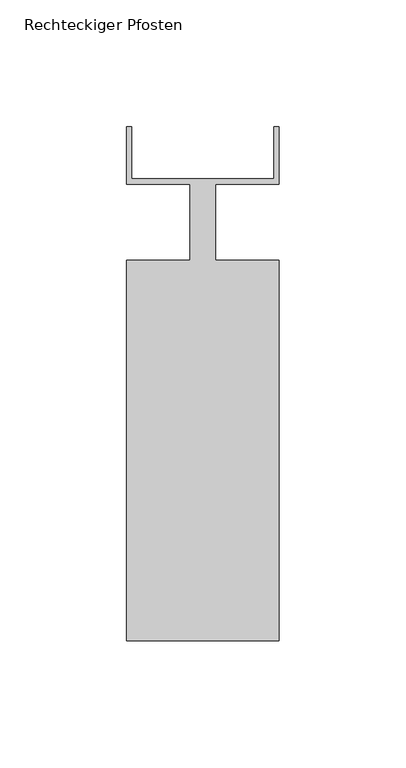
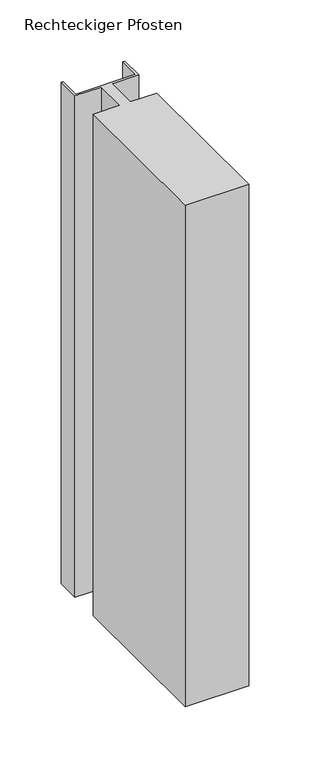
"""IFC4 building model written with IfcOpenShell, lengths in millimetres: member geometry, Rechteckiger Pfosten."""

from ifc_helpers import new_model, si_unit, frame, origin, place, context, project, spatial, polyline, outline, extrude, source, transform, mapped, element, save


def rechteckiger_pfosten_7691e012(model_context):
    return source(origin(), model_context, "Body", "SweptSolid", [
        extrude(outline(polyline([(28.0, 37.5), (30.0, 37.5), (30.0, 15.0), (5.0, 15.0), (5.0, -15.0), (30.0, -15.0), (30.0, -165.0), (-30.0, -165.0), (-30.0, -15.0), (-5.0, -15.0), (-5.0, 15.0), (-30.0, 15.0), (-30.0, 37.5), (-28.0, 37.5), (-28.0, 17.0), (28.0, 17.0), (28.0, 37.5)])), frame((0.0, 0.0, -500.0), z_axis=(0.0, 0.0, 1.0), x_axis=(1.0, 0.0, 0.0)), (0.0, 0.0, 1.0), 500.0),
    ])


if __name__ == "__main__":
    model = new_model("IFC4")
    model_context = context("Model", 3, world=origin())
    ifc_project = project(units=[si_unit("LENGTHUNIT", "METRE", prefix="MILLI")], contexts=[model_context])
    site = spatial("IfcSite", under=ifc_project)
    building = spatial("IfcBuilding", under=site)
    placement = place(None, origin())
    rechteckiger_pfosten_shape = rechteckiger_pfosten_7691e012(model_context)
    element("IfcMember", 1, ObjectType="Rechteckiger Pfosten", at=placement, inside=building, context=model_context, shape_type="MappedRepresentation", body=[
        mapped(rechteckiger_pfosten_shape, transform((0.0, 0.0, 0.0), x_axis=(1.0, 0.0, 0.0), y_axis=(0.0, 1.0, 0.0), z_axis=(0.0, 0.0, 1.0))),
    ])
    save(model, "model.ifc")
